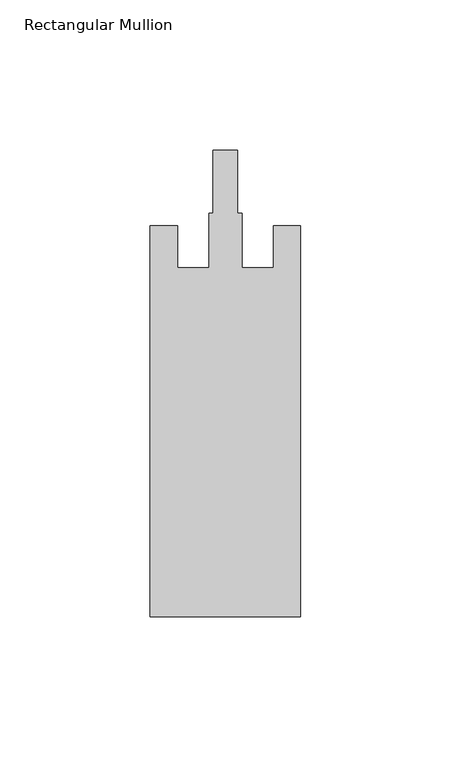
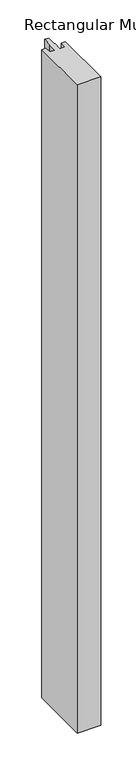
"""IFC4 building model written with IfcOpenShell, lengths in millimetres: member geometry, Rectangular Mullion."""

from ifc_helpers import new_model, si_unit, frame, origin, place, context, project, spatial, polyline, outline, extrude, source, transform, mapped, element, save


def rectangular_mullion_def291df(model_context):
    return source(origin(), model_context, "Body", "SweptSolid", [
        extrude(outline(polyline([(0.0, -162.0), (-50.0, -162.0), (-50.0, -32.0), (-41.0, -32.0), (-41.0, -46.0), (-30.5, -46.0), (-30.5, -27.8), (-29.1, -27.8), (-29.1, -7.0), (-20.9, -7.0), (-20.9, -27.8), (-19.5, -27.8), (-19.5, -46.0), (-9.0, -46.0), (-9.0, -32.0), (0.0, -32.0), (0.0, -162.0)])), frame((0.0, 0.0, -1450.0), z_axis=(0.0, 0.0, 1.0), x_axis=(1.0, 0.0, 0.0)), (0.0, 0.0, 1.0), 1450.0),
    ])


if __name__ == "__main__":
    model = new_model("IFC4")
    model_context = context("Model", 3, world=origin())
    ifc_project = project(units=[si_unit("LENGTHUNIT", "METRE", prefix="MILLI")], contexts=[model_context])
    site = spatial("IfcSite", under=ifc_project)
    building = spatial("IfcBuilding", under=site)
    placement = place(None, origin())
    rectangular_mullion_shape = rectangular_mullion_def291df(model_context)
    element("IfcMember", 1, ObjectType="Rectangular Mullion", at=placement, inside=building, context=model_context, shape_type="MappedRepresentation", body=[
        mapped(rectangular_mullion_shape, transform((0.0, 0.0, 0.0), x_axis=(1.0, 0.0, 0.0), y_axis=(0.0, 1.0, 0.0), z_axis=(0.0, 0.0, 1.0))),
    ])
    save(model, "model.ifc")
